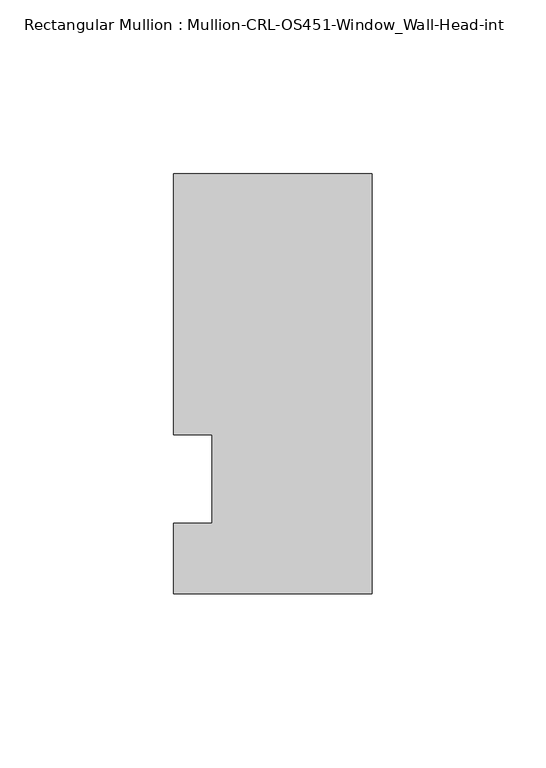
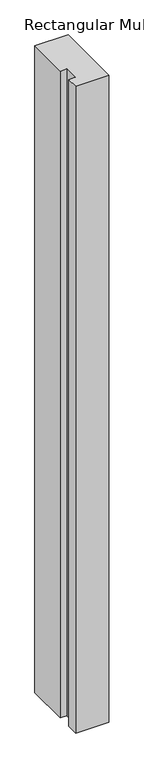
"""IFC4 building model written with IfcOpenShell, lengths in millimetres: member geometry, Rectangular Mullion : Mullion-CRL-OS451-Window_Wall-Head-int."""

from ifc_helpers import new_model, si_unit, frame, origin, place, context, project, spatial, polyline, outline, extrude, source, transform, mapped, element, save


def rectangular_mullion_mullion_crl_os451_window_wall_head_int_8cba7b39(model_context):
    return source(origin(), model_context, "Body", "SweptSolid", [
        extrude(outline(polyline([(-57.1500484, -12.6024125), (-46.0286759, -12.6024125), (-46.0286759, 12.7975875), (-57.1500484, 12.7975875), (-57.1500484, 87.9036146), (0.0, 87.9036146), (0.0, -32.8987854), (-57.1500484, -32.8987854), (-57.1500484, -12.6024125)])), frame((0.0, 0.0, -1172.430051), z_axis=(0.0, 0.0, 1.0), x_axis=(1.0, 0.0, 0.0)), (0.0, 0.0, 1.0), 1172.430051),
    ])


if __name__ == "__main__":
    model = new_model("IFC4")
    model_context = context("Model", 3, world=origin())
    ifc_project = project(units=[si_unit("LENGTHUNIT", "METRE", prefix="MILLI")], contexts=[model_context])
    site = spatial("IfcSite", under=ifc_project)
    building = spatial("IfcBuilding", under=site)
    placement = place(None, origin())
    rectangular_mullion_mullion_crl_os451_window_wall_head_int_shape = rectangular_mullion_mullion_crl_os451_window_wall_head_int_8cba7b39(model_context)
    element("IfcMember", 1, ObjectType="Rectangular Mullion : Mullion-CRL-OS451-Window_Wall-Head-int", at=placement, inside=building, context=model_context, shape_type="MappedRepresentation", body=[
        mapped(rectangular_mullion_mullion_crl_os451_window_wall_head_int_shape, transform((0.0, 0.0, 0.0), x_axis=(1.0, 0.0, 0.0), y_axis=(0.0, 1.0, 0.0), z_axis=(0.0, 0.0, 1.0))),
    ])
    save(model, "model.ifc")
